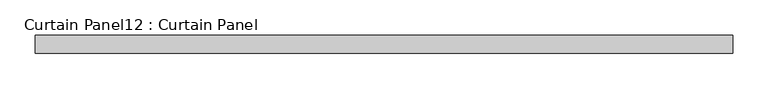
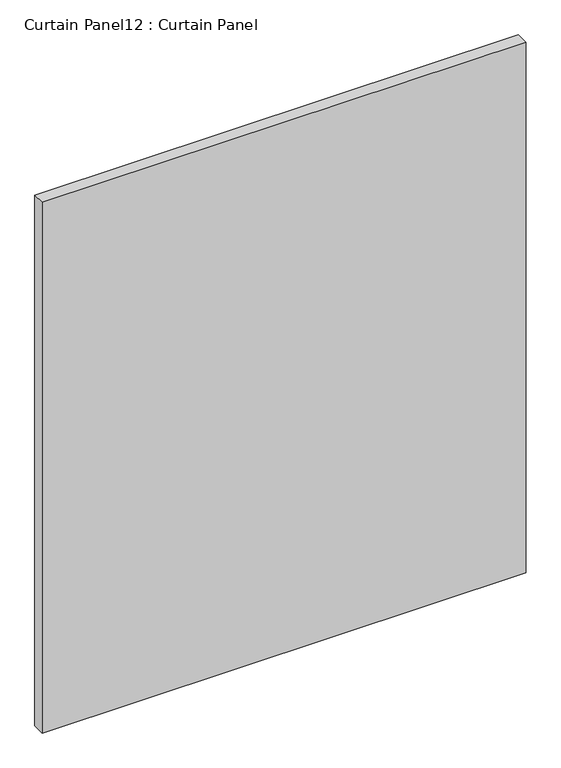
"""IFC4 building model written with IfcOpenShell, lengths in millimetres: plate geometry, Curtain Panel12 : Curtain Panel."""

from ifc_helpers import new_model, si_unit, frame, origin, place, context, project, spatial, polyline, outline, extrude, source, transform, mapped, element, save


def curtain_panel12_curtain_panel_300b5ecc(model_context):
    return source(origin(), model_context, "Body", "SweptSolid", [
        extrude(outline(polyline([(-172893.0080404, 7403.2117994), (-173879.1258877, 7403.2117994), (-173879.1258877, 7428.6117994), (-172893.0080404, 7428.6117994), (-172893.0080404, 7403.2117994)])), frame((0.0, 0.0, 2455.8625), z_axis=(0.0, 0.0, 1.0), x_axis=(1.0, 0.0, 0.0)), (0.0, 0.0, 1.0), 1143.0),
    ])


if __name__ == "__main__":
    model = new_model("IFC4")
    model_context = context("Model", 3, world=origin())
    ifc_project = project(units=[si_unit("LENGTHUNIT", "METRE", prefix="MILLI")], contexts=[model_context])
    site = spatial("IfcSite", under=ifc_project)
    building = spatial("IfcBuilding", under=site)
    placement = place(None, origin())
    curtain_panel12_curtain_panel_shape = curtain_panel12_curtain_panel_300b5ecc(model_context)
    element("IfcPlate", 1, ObjectType="Curtain Panel12 : Curtain Panel", at=placement, inside=building, context=model_context, shape_type="MappedRepresentation", body=[
        mapped(curtain_panel12_curtain_panel_shape, transform((0.0, 0.0, 0.0), x_axis=(1.0, 0.0, 0.0), y_axis=(0.0, 1.0, 0.0), z_axis=(0.0, 0.0, 1.0))),
    ])
    save(model, "model.ifc")
